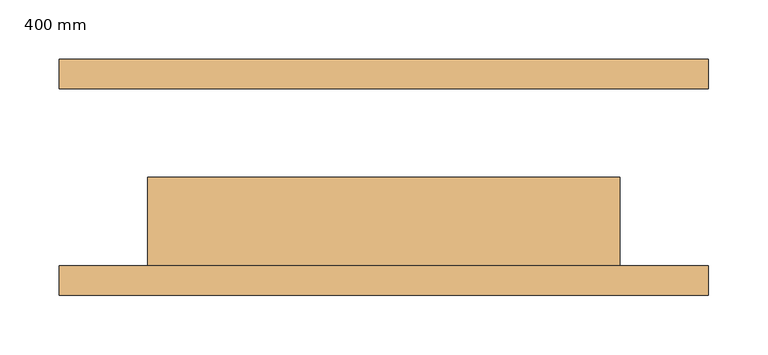
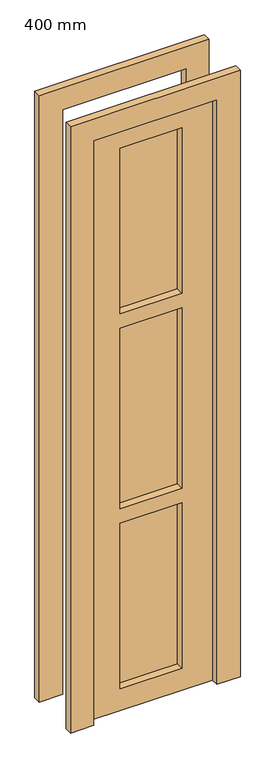
"""IFC4 building model written with IfcOpenShell, lengths in millimetres: door geometry, 400 mm."""

import ifcopenshell
import ifcopenshell.guid

model = None  # the IFC model being written
_history = None  # IfcOwnerHistory: only IFC2X3 demands one
_inside = {}  # id of a spatial element -> (the spatial element, [elements in it])
_under = {}  # id of a project, library or spatial element -> (it, [spatial elements below it])
_declared = {}  # id of a project -> (the project, [libraries it declares])
_typed = {}  # id of a type object -> (the type object, [elements of that type])
_made_of = {}  # id of a material, layer set ... -> (it, [elements and type objects made of it])


def new_model(schema):
    """Start an empty IFC model of exactly this schema.

    Asked for "IFC4X3", IfcOpenShell would pick the latest addendum, in which some entities
    have other attributes; the version numbers below select the first issue.
    IFC2X3 requires an IfcOwnerHistory on every rooted entity: one is made here for all.
    """
    global model, _history
    if schema == "IFC4X3":
        model = ifcopenshell.file(schema_version=(4, 3, 0, 0))
    else:
        model = ifcopenshell.file(schema=schema)
    _inside.clear()
    _under.clear()
    _declared.clear()
    _typed.clear()
    _made_of.clear()
    _history = None
    if model.schema == "IFC2X3":
        org = make("IfcOrganization", Name="unknown")
        user = make(
            "IfcPersonAndOrganization",
            ThePerson=make("IfcPerson", FamilyName="unknown"),
            TheOrganization=org,
        )
        app = make(
            "IfcApplication",
            ApplicationDeveloper=org,
            Version="unknown",
            ApplicationFullName="unknown",
            ApplicationIdentifier="unknown",
        )
        _history = make(
            "IfcOwnerHistory",
            OwningUser=user,
            OwningApplication=app,
            ChangeAction="ADDED",
            CreationDate=0,
        )
    return model


def make(cls, **values):
    """One entity of the class cls with the attributes given. An attribute that is None is left unset."""
    return model.create_entity(
        cls, **{name: value for name, value in values.items() if value is not None}
    )


def rooted(cls, **values):
    """An entity with a GlobalId (a new one), such as an element, a storey or a relation."""
    return make(cls, GlobalId=ifcopenshell.guid.new(), OwnerHistory=_history, **values)


def si_unit(unit_type, name, prefix=None):
    """IfcSIUnit, for example si_unit("LENGTHUNIT", "METRE", prefix="MILLI")."""
    return make("IfcSIUnit", UnitType=unit_type, Prefix=prefix, Name=name)


def assignment(units):
    """IfcUnitAssignment: the units of a project."""
    return None if units is None else make("IfcUnitAssignment", Units=units)


def point(xyz):
    """IfcCartesianPoint."""
    return None if xyz is None else make("IfcCartesianPoint", Coordinates=xyz)


def direction(xyz):
    """IfcDirection."""
    return None if xyz is None else make("IfcDirection", DirectionRatios=xyz)


def frame(location, z_axis=None, x_axis=None):
    """IfcAxis2Placement3D, a coordinate frame: its origin and axes. An axis left out is left unset."""
    return make(
        "IfcAxis2Placement3D",
        Location=point(location),
        Axis=direction(z_axis),
        RefDirection=direction(x_axis),
    )


def origin():
    """The frame at (0, 0, 0) with its axes left unset."""
    return frame((0.0, 0.0, 0.0))


def place(relative_to, where):
    """IfcLocalPlacement: puts the frame where relative to a parent placement (None: the world)."""
    return make(
        "IfcLocalPlacement", PlacementRelTo=relative_to, RelativePlacement=where
    )


def context(
    kind, dimensions, precision=None, world=None, true_north=None, identifier=None
):
    """IfcGeometricRepresentationContext, for example the 3D "Model" context."""
    return make(
        "IfcGeometricRepresentationContext",
        ContextIdentifier=identifier,
        ContextType=kind,
        CoordinateSpaceDimension=dimensions,
        Precision=precision,
        WorldCoordinateSystem=world,
        TrueNorth=true_north,
    )


def project(units=None, contexts=None):
    """IfcProject with its units and contexts."""
    return rooted(
        "IfcProject",
        Name="project",
        RepresentationContexts=contexts,
        UnitsInContext=assignment(units),
    )


def spatial(cls, under=None, at=None, **own):
    """A site, building, storey or space (cls), placed at a placement, below another one or the project."""
    s = rooted(cls, ObjectPlacement=at, **own)
    if under is not None:
        _under.setdefault(under.id(), (under, []))[1].append(s)
    return s


def polyline(points):
    """IfcPolyline through the points."""
    return make("IfcPolyline", Points=[point(p) for p in points])


def outline(outer, holes=None, kind="AREA"):
    """IfcArbitraryClosedProfileDef: a profile drawn as a closed curve; with holes, ...WithVoids."""
    if holes is None:
        return make("IfcArbitraryClosedProfileDef", ProfileType=kind, OuterCurve=outer)
    return make(
        "IfcArbitraryProfileDefWithVoids",
        ProfileType=kind,
        OuterCurve=outer,
        InnerCurves=holes,
    )


def extrude(swept, where, along, depth):
    """IfcExtrudedAreaSolid: the profile swept, set in the frame where, extruded along a direction by depth."""
    return make(
        "IfcExtrudedAreaSolid",
        SweptArea=swept,
        Position=where,
        ExtrudedDirection=direction(along),
        Depth=depth,
    )


def shape(context_of_items, identifier, shape_type, items):
    """IfcShapeRepresentation: the items that make up one representation, for example the "Body"."""
    return make(
        "IfcShapeRepresentation",
        ContextOfItems=context_of_items,
        RepresentationIdentifier=identifier,
        RepresentationType=shape_type,
        Items=items,
    )


def source(mapping_origin, context_of_items, identifier, shape_type, items):
    """IfcRepresentationMap: a shape defined once, which mapped items show again and again."""
    return make(
        "IfcRepresentationMap",
        MappingOrigin=mapping_origin,
        MappedRepresentation=shape(context_of_items, identifier, shape_type, items),
    )


def transform(
    local_origin,
    x_axis=None,
    y_axis=None,
    z_axis=None,
    scale=None,
    scale2=None,
    scale3=None,
    uniform=True,
):
    """IfcCartesianTransformationOperator3D, or its non-uniform kind. x_axis, y_axis, z_axis: its Axis1, 2, 3."""
    if uniform:
        return make(
            "IfcCartesianTransformationOperator3D",
            Axis1=direction(x_axis),
            Axis2=direction(y_axis),
            LocalOrigin=point(local_origin),
            Scale=scale,
            Axis3=direction(z_axis),
        )
    return make(
        "IfcCartesianTransformationOperator3DnonUniform",
        Axis1=direction(x_axis),
        Axis2=direction(y_axis),
        LocalOrigin=point(local_origin),
        Scale=scale,
        Axis3=direction(z_axis),
        Scale2=scale2,
        Scale3=scale3,
    )


def mapped(mapping_source, mapping_target):
    """IfcMappedItem: shows the shape of a source again, moved by a transform."""
    return make(
        "IfcMappedItem", MappingSource=mapping_source, MappingTarget=mapping_target
    )


def made_of(thing, what):
    """Note that an element or type object is made of a material, layer set ...; save() writes the relation."""
    if what is not None:
        _made_of.setdefault(what.id(), (what, []))[1].append(thing)
    return thing


def element(
    cls,
    number,
    at=None,
    inside=None,
    cuts=None,
    type_object=None,
    material=None,
    context=None,
    identifier="Body",
    shape_type=None,
    held_by="IfcProductDefinitionShape",
    body=None,
    shapes=None,
    **own,
):
    """One element of the class cls, such as IfcWall. Its Tag is "e" and its number.

    at: its placement. inside: the storey or other place that contains it. cuts: it is an
    opening in that element (IfcRelVoidsElement). A single representation is given by context,
    identifier, shape_type and body (its items); several are given by shapes. held_by: the class
    of the entity that holds the representations. save() writes the other relations.
    """
    e = rooted(cls, Tag="e%d" % number, ObjectPlacement=at, **own)
    if body is not None:
        shapes = [shape(context, identifier, shape_type, body)]
    if shapes is not None:
        e.Representation = make(held_by, Representations=shapes)
    if inside is not None:
        _inside.setdefault(inside.id(), (inside, []))[1].append(e)
    if cuts is not None:
        rooted(
            "IfcRelVoidsElement", RelatingBuildingElement=cuts, RelatedOpeningElement=e
        )
    if type_object is not None:
        _typed.setdefault(type_object.id(), (type_object, []))[1].append(e)
    return made_of(e, material)


def aggregate(whole, parts):
    """IfcRelAggregates: a whole, such as a stair, and the parts it consists of."""
    return rooted("IfcRelAggregates", RelatingObject=whole, RelatedObjects=parts)


def save(model, path):
    """Write the relations noted so far, then the file.

    IfcRelAggregates (storeys below a building ...), IfcRelContainedInSpatialStructure (elements
    in a storey), IfcRelDefinesByType, IfcRelAssociatesMaterial and IfcRelDeclares: one each for
    every whole, place, type object, material and project.
    """
    for whole, parts in _under.values():
        aggregate(whole, parts)
    for where, things in _inside.values():
        rooted(
            "IfcRelContainedInSpatialStructure",
            RelatedElements=things,
            RelatingStructure=where,
        )
    for kind, things in _typed.values():
        rooted("IfcRelDefinesByType", RelatedObjects=things, RelatingType=kind)
    for what, things in _made_of.values():
        rooted("IfcRelAssociatesMaterial", RelatedObjects=things, RelatingMaterial=what)
    for by, libraries in _declared.values():
        rooted("IfcRelDeclares", RelatingContext=by, RelatedDefinitions=libraries)
    model.write(path)


def door_400_mm_e362b1e5(model_context):
    return source(origin(), model_context, "Body", "SweptSolid", [
        extrude(outline(polyline([(2000.0, -200.0), (2000.0, 200.0), (0.0, 200.0), (0.0, 275.0), (2075.0, 275.0), (2075.0, -275.0), (0.0, -275.0), (0.0, -200.0), (2000.0, -200.0)])), frame((0.0, -100.0, 0.0), z_axis=(0.0, 1.0, 0.0), x_axis=(0.0, 0.0, 1.0)), (0.0, 0.0, 1.0), 25.0),
        extrude(outline(polyline([(2075.0, -275.0), (0.0, -275.0), (0.0, -200.0), (2000.0, -200.0), (2000.0, 200.0), (0.0, 200.0), (0.0, 275.0), (2075.0, 275.0), (2075.0, -275.0)])), frame((0.0, 75.0, 0.0), z_axis=(0.0, 1.0, 0.0), x_axis=(0.0, 0.0, 1.0)), (0.0, 0.0, 1.0), 25.0),
        extrude(outline(polyline([(-100.0, -50.0), (-100.0, -25.0), (100.0, -25.0), (100.0, -50.0), (-100.0, -50.0)])), frame((0.0, 0.0, 691.7), z_axis=(0.0, 0.0, 1.0), x_axis=(1.0, 0.0, 0.0)), (0.0, 0.0, 1.0), 616.7),
        extrude(outline(polyline([(2000.0, -200.0), (0.0, -200.0), (0.0, 200.0), (2000.0, 200.0), (2000.0, -200.0)]), holes=[polyline([(1308.4, 100.0), (691.7, 100.0), (691.7, -100.0), (1308.4, -100.0), (1308.4, 100.0)]), polyline([(641.7333333, 100.0), (75.0333333, 100.0), (75.0333333, -100.0), (641.7333333, -100.0), (641.7333333, 100.0)]), polyline([(1925.0666667, 100.0), (1358.3666667, 100.0), (1358.3666667, -100.0), (1925.0666667, -100.0), (1925.0666667, 100.0)])]), frame((0.0, -75.0, 0.0), z_axis=(0.0, 1.0, 0.0), x_axis=(0.0, 0.0, 1.0)), (0.0, 0.0, 1.0), 75.0),
        extrude(outline(polyline([(-100.0, -50.0), (-100.0, -25.0), (100.0, -25.0), (100.0, -50.0), (-100.0, -50.0)])), frame((0.0, 0.0, 25.0333333), z_axis=(0.0, 0.0, 1.0), x_axis=(1.0, 0.0, 0.0)), (0.0, 0.0, 1.0), 616.7),
        extrude(outline(polyline([(-100.0, -50.0), (-100.0, -25.0), (100.0, -25.0), (100.0, -50.0), (-100.0, -50.0)])), frame((0.0, 0.0, 1358.3666667), z_axis=(0.0, 0.0, 1.0), x_axis=(1.0, 0.0, 0.0)), (0.0, 0.0, 1.0), 616.7),
    ])


if __name__ == "__main__":
    model = new_model("IFC4")
    model_context = context("Model", 3, world=origin())
    ifc_project = project(units=[si_unit("LENGTHUNIT", "METRE", prefix="MILLI")], contexts=[model_context])
    site = spatial("IfcSite", under=ifc_project)
    building = spatial("IfcBuilding", under=site)
    placement = place(None, origin())
    door_400_mm_shape = door_400_mm_e362b1e5(model_context)
    element("IfcDoor", 1, ObjectType="400 mm", at=placement, inside=building, context=model_context, shape_type="MappedRepresentation", body=[
        mapped(door_400_mm_shape, transform((0.0, 0.0, 0.0), x_axis=(1.0, 0.0, 0.0), y_axis=(0.0, 1.0, 0.0), z_axis=(0.0, 0.0, 1.0))),
    ])
    save(model, "model.ifc")
